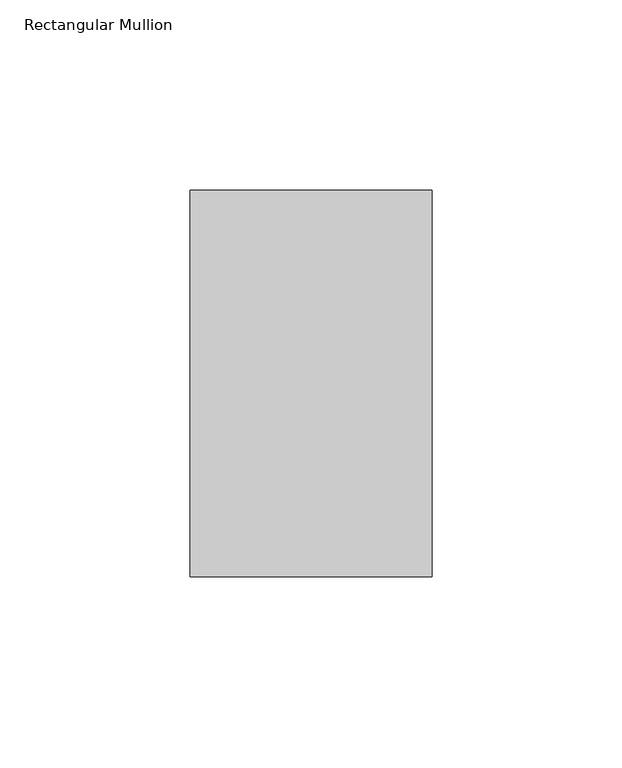
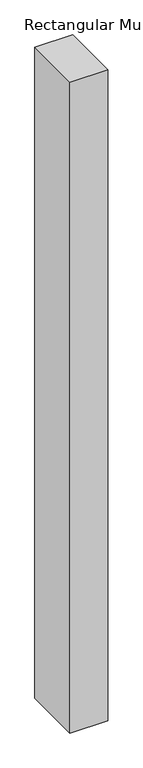
"""IFC4 building model written with IfcOpenShell, lengths in millimetres: member geometry, Rectangular Mullion."""

from ifc_helpers import new_model, si_unit, frame, origin, place, context, project, spatial, polyline, outline, extrude, source, transform, mapped, element, save


def rectangular_mullion_e6113faa(model_context):
    return source(origin(), model_context, "Body", "SweptSolid", [
        extrude(outline(polyline([(-31.7618723, -50.8), (-31.7618723, 50.8), (31.7618723, 50.8), (31.7618723, -50.8), (-31.7618723, -50.8)])), frame((0.0, 0.0, -1151.442922), z_axis=(0.0, 0.0, 1.0), x_axis=(1.0, 0.0, 0.0)), (0.0, 0.0, 1.0), 1151.442922),
    ])


if __name__ == "__main__":
    model = new_model("IFC4")
    model_context = context("Model", 3, world=origin())
    ifc_project = project(units=[si_unit("LENGTHUNIT", "METRE", prefix="MILLI")], contexts=[model_context])
    site = spatial("IfcSite", under=ifc_project)
    building = spatial("IfcBuilding", under=site)
    placement = place(None, origin())
    rectangular_mullion_shape = rectangular_mullion_e6113faa(model_context)
    element("IfcMember", 1, ObjectType="Rectangular Mullion", at=placement, inside=building, context=model_context, shape_type="MappedRepresentation", body=[
        mapped(rectangular_mullion_shape, transform((0.0, 0.0, 0.0), x_axis=(1.0, 0.0, 0.0), y_axis=(0.0, 1.0, 0.0), z_axis=(0.0, 0.0, 1.0))),
    ])
    save(model, "model.ifc")
